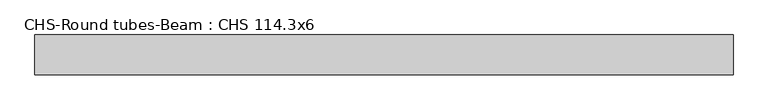
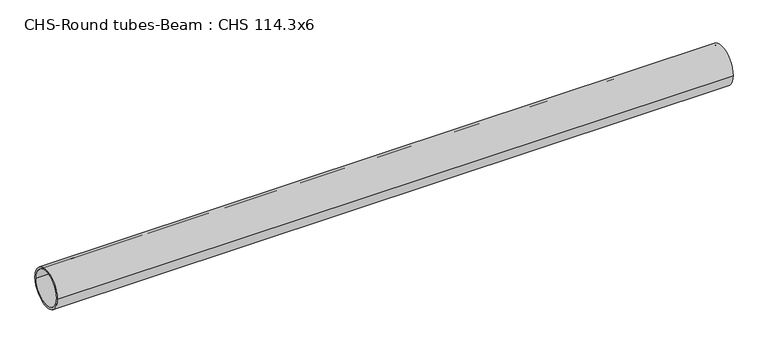
"""IFC4 building model written with IfcOpenShell, lengths in millimetres: beam geometry, CHS-Round tubes-Beam : CHS 114.3x6."""

from ifc_helpers import new_model, si_unit, point, frame, origin, origin_2d, place, context, project, spatial, circle_curve, trimmed, segment, composite_curve, outline, extrude, source, transform, mapped, element, save


def chs_round_tubes_beam_chs_114_3x6_2e750057(model_context):
    return source(origin(), model_context, "Body", "SweptSolid", [
        extrude(outline(composite_curve([segment(trimmed(circle_curve(origin_2d(), 57.15), [point((57.15, 0.0))], [point((-57.15, 0.0))], False, "CARTESIAN"), True, "CONTINUOUS"), segment(trimmed(circle_curve(origin_2d(), 57.15), [point((-57.15, 0.0))], [point((57.15, 0.0))], False, "CARTESIAN"), True, "CONTINUOUS")], self_intersect=False), holes=[composite_curve([segment(trimmed(circle_curve(origin_2d(), 51.15), [point((51.15, 0.0))], [point((-51.15, 0.0))], True, "CARTESIAN"), True, "CONTINUOUS"), segment(trimmed(circle_curve(origin_2d(), 51.15), [point((-51.15, 0.0))], [point((51.15, 0.0))], True, "CARTESIAN"), True, "CONTINUOUS")], self_intersect=False)]), frame((-948.1162331, 0.0, 0.0), z_axis=(1.0, 0.0, 0.0), x_axis=(0.0, 1.0, 0.0)), (0.0, 0.0, 1.0), 1991.4432623),
    ])


if __name__ == "__main__":
    model = new_model("IFC4")
    model_context = context("Model", 3, world=origin())
    ifc_project = project(units=[si_unit("LENGTHUNIT", "METRE", prefix="MILLI")], contexts=[model_context])
    site = spatial("IfcSite", under=ifc_project)
    building = spatial("IfcBuilding", under=site)
    placement = place(None, origin())
    chs_round_tubes_beam_chs_114_3x6_shape = chs_round_tubes_beam_chs_114_3x6_2e750057(model_context)
    element("IfcBeam", 1, ObjectType="CHS-Round tubes-Beam : CHS 114.3x6", at=placement, inside=building, context=model_context, shape_type="MappedRepresentation", body=[
        mapped(chs_round_tubes_beam_chs_114_3x6_shape, transform((0.0, 0.0, 0.0), x_axis=(1.0, 0.0, 0.0), y_axis=(0.0, 1.0, 0.0), z_axis=(0.0, 0.0, 1.0))),
    ])
    save(model, "model.ifc")
